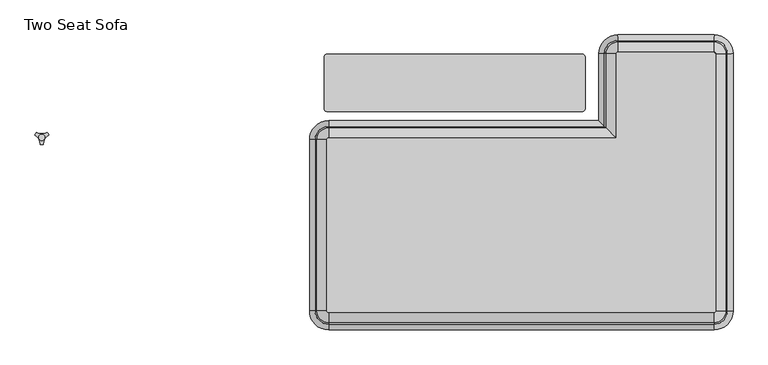
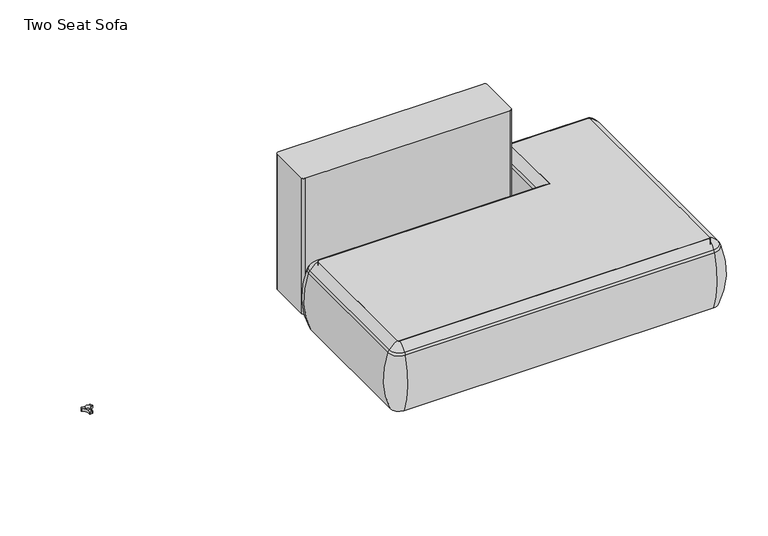
"""IFC4 building model written with IfcOpenShell, lengths in millimetres: furniture geometry, Two Seat Sofa."""

from ifc_helpers import new_model, si_unit, point, frame, frame_2d, origin, place, context, project, spatial, polyline, circle_curve, ellipse_curve, trimmed, segment, composite_curve, outline, extrude, source, transform, mapped, element, save
from ifc_brep_helpers import plane_surface, cylinder_surface, revolved_surface, advanced_brep


def two_seat_sofa_f498945d(model_context):
    return source(origin(), model_context, "Body", "SolidModel", [
        extrude(outline(composite_curve([segment(polyline([(-324.3386722, -55.2078555), (-324.3386722, 103.5149266)]), True, "CONTINUOUS"), segment(trimmed(circle_curve(frame_2d((-314.513597, 103.5149266)), 9.8250752), [point((-324.3386722, 103.5149266))], [point((-314.513597, 113.3400018))], False, "CARTESIAN"), True, "CONTINUOUS"), segment(polyline([(-314.513597, 113.3400018), (475.2130299, 113.3400018)]), True, "CONTINUOUS"), segment(trimmed(circle_curve(frame_2d((475.2130299, 103.5149266)), 9.8250752), [point((475.2130299, 113.3400018))], [point((485.0381051, 103.5149266))], False, "CARTESIAN"), True, "CONTINUOUS"), segment(polyline([(485.0381051, 103.5149266), (485.0381051, -55.2078555)]), True, "CONTINUOUS"), segment(trimmed(circle_curve(frame_2d((475.2130299, -55.2078555)), 9.8250752), [point((485.0381051, -55.2078555))], [point((475.2130299, -65.0329307))], False, "CARTESIAN"), True, "CONTINUOUS"), segment(polyline([(475.2130299, -65.0329307), (-314.513597, -65.0329307)]), True, "CONTINUOUS"), segment(trimmed(circle_curve(frame_2d((-314.513597, -55.2078555)), 9.8250752), [point((-314.513597, -65.0329307))], [point((-324.3386722, -55.2078555))], False, "CARTESIAN"), True, "CONTINUOUS")], self_intersect=False)), frame((0.0, 0.0, 123.9999984), z_axis=(0.0, 0.0, 1.0), x_axis=(1.0, 0.0, 0.0)), (0.0, 0.0, 1.0), 552.7599232),
        extrude(outline(composite_curve([segment(trimmed(circle_curve(frame_2d((-310.3913019, -152.5342577)), 5.2798073), [point((-315.6711091, -152.5342577))], [point((-310.3913019, -147.2544504))], False, "CARTESIAN"), True, "CONTINUOUS"), segment(polyline([(-310.3913019, -147.2544504), (581.5640471, -147.2544504), (581.5640471, 114.1657423)]), True, "CONTINUOUS"), segment(trimmed(circle_curve(frame_2d((586.8438544, 114.1657423)), 5.2798073), [point((581.5640471, 114.1657423))], [point((586.8438544, 119.4455496))], False, "CARTESIAN"), True, "CONTINUOUS"), segment(polyline([(586.8438544, 119.4455496), (885.0068604, 119.4455496)]), True, "CONTINUOUS"), segment(trimmed(circle_curve(frame_2d((885.0068604, 114.1657423)), 5.2798073), [point((885.0068604, 119.4455496))], [point((890.2866677, 114.1657423))], False, "CARTESIAN"), True, "CONTINUOUS"), segment(polyline([(890.2866677, 114.1657423), (890.2866677, -683.5606623)]), True, "CONTINUOUS"), segment(trimmed(circle_curve(frame_2d((885.0068604, -683.5606623)), 5.2798073), [point((890.2866677, -683.5606623))], [point((885.0068604, -688.8404695))], False, "CARTESIAN"), True, "CONTINUOUS"), segment(polyline([(885.0068604, -688.8404695), (-310.3913019, -688.8404695)]), True, "CONTINUOUS"), segment(trimmed(circle_curve(frame_2d((-310.3913019, -683.5606623)), 5.2798073), [point((-310.3913019, -688.8404695))], [point((-315.6711091, -683.5606623))], False, "CARTESIAN"), True, "CONTINUOUS"), segment(polyline([(-315.6711091, -683.5606623), (-315.6711091, -152.5342577)]), True, "CONTINUOUS")], self_intersect=False)), frame((0.0, 0.0, 123.9999984), z_axis=(0.0, 0.0, 1.0), x_axis=(1.0, 0.0, 0.0)), (0.0, 0.0, 1.0), 266.3914023),
        advanced_brep(
        [(-315.6711091, -683.5606623, 390.3914007), (-310.3913019, -688.8404695, 390.3914007), (-310.3913019, -688.8404695, 123.9999984), (-315.6711091, -683.5606623, 123.9999984), (-344.3591533, -683.5606623, 123.9999984), (-310.3913019, -717.5285137, 123.9999984), (-310.3913019, -725.2079787, 353.7769053), (-352.0386183, -683.5606623, 353.7769053), (-315.6711091, -152.5342577, 123.9999984), (-315.6711091, -152.5342577, 390.3914007), (-352.0386183, -152.5342577, 353.7769053), (-344.3591533, -152.5342577, 123.9999984), (-310.3913019, -147.2544504, 390.3914007), (-310.3913019, -147.2544504, 123.9999984), (-310.3913019, -118.5664062, 123.9999984), (-310.3913019, -110.8869412, 353.7769053), (581.5640471, -147.2544504, 123.9999984), (581.5640471, -147.2544504, 390.3914007), (545.1965379, -110.8869412, 353.7769053), (552.876003, -118.5664063, 123.9999984), (890.2866677, 114.1657423, 390.3914007), (885.0068604, 119.4455496, 390.3914007), (885.0068604, 119.4455496, 123.9999984), (890.2866677, 114.1657423, 123.9999984), (918.9747118, 114.1657423, 123.9999984), (885.0068604, 148.1335937, 123.9999984), (885.0068604, 155.8130588, 353.7769053), (926.6541769, 114.1657423, 353.7769053), (890.2866677, -683.5606623, 123.9999984), (890.2866677, -683.5606623, 390.3914007), (926.6541769, -683.5606623, 353.7769053), (918.9747118, -683.5606623, 123.9999984), (885.0068604, -688.8404695, 390.3914007), (885.0068604, -688.8404695, 123.9999984), (885.0068604, -717.5285137, 123.9999984), (885.0068604, -725.2079787, 353.7769053), (-346.8201584, -683.5606623, 363.6402875), (-310.3913019, -719.9895188, 363.6402875), (-346.8201584, -152.5342577, 363.6402875), (-310.3913019, -116.1054011, 363.6402875), (550.4149978, -116.1054011, 363.6402875), (921.435717, 114.1657423, 363.6402875), (885.0068604, 150.5945989, 363.6402875), (921.435717, -683.5606623, 363.6402875), (885.0068604, -719.9895188, 363.6402875), (581.5640471, 114.1657423, 123.9999984), (581.5640471, 114.1657423, 390.3914007), (550.4149978, 114.1657423, 363.6402875), (545.1965379, 114.1657423, 353.7769053), (552.876003, 114.1657423, 123.9999984), (586.8438544, 119.4455496, 390.3914007), (586.8438544, 119.4455496, 123.9999984), (586.8438544, 150.5945989, 363.6402875), (586.8438544, 155.8130588, 353.7769053), (586.8438544, 148.1335937, 123.9999984)],
        [
            (0, 1, circle_curve(frame((-310.3913019, -683.5606623, 390.3914007), z_axis=(0.0, 0.0, 1.0), x_axis=(0.0, -1.0, 0.0)), 5.2798073)),
            (1, 2),
            (2, 3, circle_curve(frame((-310.3913019, -683.5606623, 123.9999984), z_axis=(0.0, 0.0, -1.0), x_axis=(0.0, -1.0, 0.0)), 5.2798073)),
            (3, 0),
            (4, 5, circle_curve(frame((-310.3913019, -683.5606623, 123.9999984), z_axis=(0.0, 0.0, 1.0), x_axis=(0.0, -1.0, 0.0)), 33.9678514)),
            (5, 6, circle_curve(frame((-310.3913019, -421.1542297, 248.9220234), z_axis=(-1.0, 0.0, 0.0), x_axis=(0.0, -1.0, 0.0)), 321.625914)),
            (6, 7, circle_curve(frame((-310.3913019, -683.5606623, 353.7769053), z_axis=(0.0, 0.0, -1.0), x_axis=(0.0, -1.0, 0.0)), 41.6473165)),
            (7, 4, circle_curve(frame((-47.9848693, -683.5606623, 248.9220234), z_axis=(0.0, -1.0, 0.0), x_axis=(-1.0, 0.0, 0.0)), 321.625914)),
            (3, 8),
            (8, 9),
            (9, 0),
            (7, 10),
            (10, 11, circle_curve(frame((-47.9848693, -152.5342577, 248.9220234), z_axis=(0.0, -1.0, 0.0), x_axis=(-1.0, 0.0, 0.0)), 321.625914)),
            (11, 4),
            (12, 9, circle_curve(frame((-310.3913019, -152.5342577, 390.3914007), z_axis=(0.0, 0.0, 1.0), x_axis=(-1.0, 0.0, 0.0)), 5.2798073)),
            (8, 13, circle_curve(frame((-310.3913019, -152.5342577, 123.9999984), z_axis=(0.0, 0.0, -1.0), x_axis=(-1.0, 0.0, 0.0)), 5.2798073)),
            (13, 12),
            (14, 11, circle_curve(frame((-310.3913019, -152.5342577, 123.9999984), z_axis=(0.0, 0.0, 1.0), x_axis=(-1.0, 0.0, 0.0)), 33.9678514)),
            (10, 15, circle_curve(frame((-310.3913019, -152.5342577, 353.7769053), z_axis=(0.0, 0.0, -1.0), x_axis=(-1.0, 0.0, 0.0)), 41.6473165)),
            (15, 14, circle_curve(frame((-310.3913019, -414.9406902, 248.9220234), z_axis=(-1.0, 0.0, 0.0), x_axis=(0.0, 1.0, 0.0)), 321.625914)),
            (13, 16),
            (16, 17),
            (17, 12),
            (15, 18),
            (18, 19, ellipse_curve(frame((849.2502869, -414.9406902, 248.9220234), z_axis=(-0.707106781186553, -0.7071067811865419, 0.0), x_axis=(-0.707106781186542, 0.7071067811865529, 0.0)), 454.8477295, 321.625914)),
            (19, 14),
            (20, 21, circle_curve(frame((885.0068604, 114.1657423, 390.3914007), z_axis=(0.0, 0.0, 1.0), x_axis=(0.0, 1.0, 0.0)), 5.2798073)),
            (21, 22),
            (22, 23, circle_curve(frame((885.0068604, 114.1657423, 123.9999984), z_axis=(0.0, 0.0, -1.0), x_axis=(0.0, 1.0, 0.0)), 5.2798073)),
            (23, 20),
            (24, 25, circle_curve(frame((885.0068604, 114.1657423, 123.9999984), z_axis=(0.0, 0.0, 1.0), x_axis=(0.0, 1.0, 0.0)), 33.9678514)),
            (25, 26, circle_curve(frame((885.0068604, -148.2406902, 248.9220234), z_axis=(1.0, 0.0, 0.0), x_axis=(0.0, 1.0, 0.0)), 321.625914)),
            (26, 27, circle_curve(frame((885.0068604, 114.1657423, 353.7769053), z_axis=(0.0, 0.0, -1.0), x_axis=(0.0, 1.0, 0.0)), 41.6473165)),
            (27, 24, circle_curve(frame((622.6004279, 114.1657423, 248.9220234), z_axis=(0.0, 1.0, 0.0), x_axis=(1.0, 0.0, 0.0)), 321.625914)),
            (23, 28),
            (28, 29),
            (29, 20),
            (27, 30),
            (30, 31, circle_curve(frame((622.6004279, -683.5606623, 248.9220234), z_axis=(0.0, 1.0, 0.0), x_axis=(1.0, 0.0, 0.0)), 321.625914)),
            (31, 24),
            (32, 29, circle_curve(frame((885.0068604, -683.5606623, 390.3914007), z_axis=(0.0, 0.0, 1.0), x_axis=(1.0, 0.0, 0.0)), 5.2798073)),
            (28, 33, circle_curve(frame((885.0068604, -683.5606623, 123.9999984), z_axis=(0.0, 0.0, -1.0), x_axis=(1.0, 0.0, 0.0)), 5.2798073)),
            (33, 32),
            (34, 31, circle_curve(frame((885.0068604, -683.5606623, 123.9999984), z_axis=(0.0, 0.0, 1.0), x_axis=(1.0, 0.0, 0.0)), 33.9678514)),
            (30, 35, circle_curve(frame((885.0068604, -683.5606623, 353.7769053), z_axis=(0.0, 0.0, -1.0), x_axis=(1.0, 0.0, 0.0)), 41.6473165)),
            (35, 34, circle_curve(frame((885.0068604, -421.1542297, 248.9220234), z_axis=(1.0, 0.0, 0.0), x_axis=(0.0, -1.0, 0.0)), 321.625914)),
            (33, 2),
            (1, 32),
            (35, 6),
            (5, 34),
            (36, 37, circle_curve(frame((-310.3913019, -683.5606623, 363.6402875), z_axis=(0.0, 0.0, 1.0), x_axis=(0.0, -1.0, 0.0)), 36.4288566)),
            (37, 1, circle_curve(frame((-310.3913019, -644.60785, 307.3762868), z_axis=(-1.0, 0.0, 0.0), x_axis=(0.0, -1.0, 0.0)), 94.0639876)),
            (0, 36, circle_curve(frame((-271.4384896, -683.5606623, 307.3762868), z_axis=(0.0, -1.0, 0.0), x_axis=(-1.0, 0.0, 0.0)), 94.0639876)),
            (6, 37, circle_curve(frame((-310.3913019, -690.9432596, 341.9604975), z_axis=(-1.0, 0.0, 0.0), x_axis=(0.0, -1.0, 0.0)), 36.2449785)),
            (36, 7, circle_curve(frame((-317.7738992, -683.5606623, 341.9604975), z_axis=(0.0, -1.0, 0.0), x_axis=(-1.0, 0.0, 0.0)), 36.2449785)),
            (9, 38, circle_curve(frame((-271.4384896, -152.5342577, 307.3762868), z_axis=(0.0, -1.0, 0.0), x_axis=(-1.0, 0.0, 0.0)), 94.0639876)),
            (38, 36),
            (38, 10, circle_curve(frame((-317.7738992, -152.5342577, 341.9604975), z_axis=(0.0, -1.0, 0.0), x_axis=(-1.0, 0.0, 0.0)), 36.2449785)),
            (39, 38, circle_curve(frame((-310.3913019, -152.5342577, 363.6402875), z_axis=(0.0, 0.0, 1.0), x_axis=(-1.0, 0.0, 0.0)), 36.4288566)),
            (12, 39, circle_curve(frame((-310.3913019, -191.4870699, 307.3762868), z_axis=(-1.0, 0.0, 0.0), x_axis=(0.0, 1.0, 0.0)), 94.0639876)),
            (39, 15, circle_curve(frame((-310.3913019, -145.1516603, 341.9604975), z_axis=(-1.0, 0.0, 0.0), x_axis=(0.0, 1.0, 0.0)), 36.2449785)),
            (17, 40, ellipse_curve(frame((625.7966666, -191.4870699, 307.3762868), z_axis=(-0.707106781186553, -0.7071067811865419, 0.0), x_axis=(-0.707106781186542, 0.7071067811865529, 0.0)), 133.026567, 94.0639876)),
            (40, 39),
            (40, 18, ellipse_curve(frame((579.461257, -145.1516603, 341.9604975), z_axis=(-0.707106781186553, -0.7071067811865419, 0.0), x_axis=(-0.707106781186542, 0.7071067811865529, 0.0)), 51.2581402, 36.2449785)),
            (41, 42, circle_curve(frame((885.0068604, 114.1657423, 363.6402875), z_axis=(0.0, 0.0, 1.0), x_axis=(0.0, 1.0, 0.0)), 36.4288566)),
            (42, 21, circle_curve(frame((885.0068604, 75.2129301, 307.3762868), z_axis=(1.0, 0.0, 0.0), x_axis=(0.0, 1.0, 0.0)), 94.0639876)),
            (20, 41, circle_curve(frame((846.0540482, 114.1657423, 307.3762868), z_axis=(0.0, 1.0, 0.0), x_axis=(1.0, 0.0, 0.0)), 94.0639876)),
            (26, 42, circle_curve(frame((885.0068604, 121.5483397, 341.9604975), z_axis=(1.0, 0.0, 0.0), x_axis=(0.0, 1.0, 0.0)), 36.2449785)),
            (41, 27, circle_curve(frame((892.3894578, 114.1657423, 341.9604975), z_axis=(0.0, 1.0, 0.0), x_axis=(1.0, 0.0, 0.0)), 36.2449785)),
            (29, 43, circle_curve(frame((846.0540482, -683.5606623, 307.3762868), z_axis=(0.0, 1.0, 0.0), x_axis=(1.0, 0.0, 0.0)), 94.0639876)),
            (43, 41),
            (43, 30, circle_curve(frame((892.3894578, -683.5606623, 341.9604975), z_axis=(0.0, 1.0, 0.0), x_axis=(1.0, 0.0, 0.0)), 36.2449785)),
            (44, 43, circle_curve(frame((885.0068604, -683.5606623, 363.6402875), z_axis=(0.0, 0.0, 1.0), x_axis=(1.0, 0.0, 0.0)), 36.4288566)),
            (32, 44, circle_curve(frame((885.0068604, -644.60785, 307.3762868), z_axis=(1.0, 0.0, 0.0), x_axis=(0.0, -1.0, 0.0)), 94.0639876)),
            (44, 35, circle_curve(frame((885.0068604, -690.9432596, 341.9604975), z_axis=(1.0, 0.0, 0.0), x_axis=(0.0, -1.0, 0.0)), 36.2449785)),
            (37, 44),
            (16, 45),
            (45, 46),
            (46, 17),
            (46, 47, circle_curve(frame((625.7966666, 114.1657423, 307.3762868), z_axis=(0.0, -1.0, 0.0), x_axis=(-1.0, 0.0, 0.0)), 94.0639876)),
            (47, 40),
            (47, 48, circle_curve(frame((579.461257, 114.1657423, 341.9604975), z_axis=(0.0, -1.0, 0.0), x_axis=(-1.0, 0.0, 0.0)), 36.2449785)),
            (48, 18),
            (48, 49, circle_curve(frame((849.2502869, 114.1657423, 248.9220234), z_axis=(0.0, -1.0, 0.0), x_axis=(-1.0, 0.0, 0.0)), 321.625914)),
            (49, 19),
            (50, 46, circle_curve(frame((586.8438544, 114.1657423, 390.3914007), z_axis=(0.0, 0.0, 1.0), x_axis=(-1.0, 0.0, 0.0)), 5.2798073)),
            (45, 51, circle_curve(frame((586.8438544, 114.1657423, 123.9999984), z_axis=(0.0, 0.0, -1.0), x_axis=(-1.0, 0.0, 0.0)), 5.2798073)),
            (51, 50),
            (52, 47, circle_curve(frame((586.8438544, 114.1657423, 363.6402875), z_axis=(0.0, 0.0, 1.0), x_axis=(-1.0, 0.0, 0.0)), 36.4288566)),
            (50, 52, circle_curve(frame((586.8438544, 75.2129301, 307.3762868), z_axis=(-1.0, 0.0, 0.0), x_axis=(0.0, 1.0, 0.0)), 94.0639876)),
            (53, 48, circle_curve(frame((586.8438544, 114.1657423, 353.7769053), z_axis=(0.0, 0.0, 1.0), x_axis=(-1.0, 0.0, 0.0)), 41.6473165)),
            (52, 53, circle_curve(frame((586.8438544, 121.5483397, 341.9604975), z_axis=(-1.0, 0.0, 0.0), x_axis=(0.0, 1.0, 0.0)), 36.2449785)),
            (54, 49, circle_curve(frame((586.8438544, 114.1657423, 123.9999984), z_axis=(0.0, 0.0, 1.0), x_axis=(-1.0, 0.0, 0.0)), 33.9678514)),
            (53, 54, circle_curve(frame((586.8438544, -148.2406902, 248.9220234), z_axis=(-1.0, 0.0, 0.0), x_axis=(0.0, 1.0, 0.0)), 321.625914)),
            (54, 25),
            (22, 51),
            (21, 50),
            (42, 52),
            (26, 53),
        ],
        [
            revolved_surface(polyline([(-310.3913019, -688.8404696, 123.9999984), (-310.3913019, -688.8404696, 390.3914007)]), (-310.3913019, -683.5606623, 0.0), (0.0, 0.0, -1.0)),
            revolved_surface(trimmed(ellipse_curve(frame((-310.3913019, -421.1542297, 248.9220234), z_axis=(1.0, 0.0, 0.0), x_axis=(0.0, -1.0, 0.0)), 321.625914, 321.625914), [point((-310.3913019, -725.2079787, 353.7769053))], [point((-310.3913019, -717.5285137, 123.9999984))], True, "CARTESIAN"), (-310.3913019, -683.5606623, 0.0), (0.0, 0.0, -1.0)),
            plane_surface(frame((-315.6711091, -683.5606623, 123.9999984), z_axis=(1.0, 0.0, 0.0), x_axis=(0.0, 1.0, 0.0))),
            cylinder_surface(frame((-47.9848693, -683.5606623, 248.9220234), z_axis=(0.0, -1.0, 0.0), x_axis=(-1.0, 0.0, 0.0)), 321.625914),
            revolved_surface(polyline([(-315.6711092, -152.5342577, 123.9999984), (-315.6711092, -152.5342577, 390.3914007)]), (-310.3913019, -152.5342577, 0.0), (0.0, 0.0, -1.0)),
            revolved_surface(trimmed(ellipse_curve(frame((-47.9848693, -152.5342577, 248.9220234), z_axis=(0.0, -1.0, 0.0), x_axis=(-1.0, 0.0, 0.0)), 321.625914, 321.625914), [point((-352.0386183, -152.5342577, 353.7769053))], [point((-344.3591533, -152.5342577, 123.9999984))], True, "CARTESIAN"), (-310.3913019, -152.5342577, 0.0), (0.0, 0.0, -1.0)),
            plane_surface(frame((-310.3913019, -147.2544504, 123.9999984), z_axis=(0.0, -1.0, 0.0), x_axis=(1.0, 0.0, 0.0))),
            cylinder_surface(frame((-310.3913019, -414.9406902, 248.9220234), z_axis=(-1.0, 0.0, 0.0), x_axis=(0.0, 1.0, 0.0)), 321.625914),
            revolved_surface(polyline([(885.0068604, 119.4455496, 123.9999984), (885.0068604, 119.4455496, 390.3914007)]), (885.0068604, 114.1657423, 0.0), (0.0, 0.0, -1.0)),
            revolved_surface(trimmed(ellipse_curve(frame((885.0068604, -148.2406902, 248.9220234), z_axis=(-1.0, 0.0, 0.0), x_axis=(0.0, 1.0, 0.0)), 321.625914, 321.625914), [point((885.0068604, 155.8130588, 353.7769053))], [point((885.0068604, 148.1335937, 123.9999984))], True, "CARTESIAN"), (885.0068604, 114.1657423, 0.0), (0.0, 0.0, -1.0)),
            plane_surface(frame((890.2866677, 114.1657423, 123.9999984), z_axis=(-1.0, 0.0, 0.0), x_axis=(0.0, -1.0, 0.0))),
            cylinder_surface(frame((622.6004279, 114.1657423, 248.9220234), z_axis=(0.0, 1.0, 0.0), x_axis=(1.0, 0.0, 0.0)), 321.625914),
            revolved_surface(polyline([(890.2866677000001, -683.5606623, 123.9999984), (890.2866677000001, -683.5606623, 390.3914007)]), (885.0068604, -683.5606623, 0.0), (0.0, 0.0, -1.0)),
            revolved_surface(trimmed(ellipse_curve(frame((622.6004279, -683.5606623, 248.9220234), z_axis=(0.0, 1.0, 0.0), x_axis=(1.0, 0.0, 0.0)), 321.625914, 321.625914), [point((926.6541769, -683.5606623, 353.7769053))], [point((918.9747118, -683.5606623, 123.9999984))], True, "CARTESIAN"), (885.0068604, -683.5606623, 0.0), (0.0, 0.0, -1.0)),
            plane_surface(frame((885.0068604, -688.8404695, 123.9999984), z_axis=(0.0, 1.0, 0.0), x_axis=(-1.0, 0.0, 0.0))),
            cylinder_surface(frame((885.0068604, -421.1542297, 248.9220234), z_axis=(1.0, 0.0, 0.0), x_axis=(0.0, -1.0, 0.0)), 321.625914),
            revolved_surface(trimmed(ellipse_curve(frame((-310.3913019, -644.60785, 307.3762868), z_axis=(1.0, 0.0, 0.0), x_axis=(0.0, -1.0, 0.0)), 94.0639876, 94.0639876), [point((-310.3913019, -688.8404695, 390.3914007))], [point((-310.3913019, -719.9895188, 363.6402875))], True, "CARTESIAN"), (-310.3913019, -683.5606623, 0.0), (0.0, 0.0, -1.0)),
            revolved_surface(trimmed(ellipse_curve(frame((-310.3913019, -690.9432596, 341.9604975), z_axis=(1.0, 0.0, 0.0), x_axis=(0.0, -1.0, 0.0)), 36.2449785, 36.2449785), [point((-310.3913019, -719.9895188, 363.6402875))], [point((-310.3913019, -725.2079787, 353.7769053))], True, "CARTESIAN"), (-310.3913019, -683.5606623, 0.0), (0.0, 0.0, -1.0)),
            cylinder_surface(frame((-271.4384896, -683.5606623, 307.3762868), z_axis=(0.0, -1.0, 0.0), x_axis=(-1.0, 0.0, 0.0)), 94.0639876),
            cylinder_surface(frame((-317.7738992, -683.5606623, 341.9604975), z_axis=(0.0, -1.0, 0.0), x_axis=(-1.0, 0.0, 0.0)), 36.2449785),
            revolved_surface(trimmed(ellipse_curve(frame((-271.4384896, -152.5342577, 307.3762868), z_axis=(0.0, -1.0, 0.0), x_axis=(-1.0, 0.0, 0.0)), 94.0639876, 94.0639876), [point((-315.6711091, -152.5342577, 390.3914007))], [point((-346.8201584, -152.5342577, 363.6402875))], True, "CARTESIAN"), (-310.3913019, -152.5342577, 0.0), (0.0, 0.0, -1.0)),
            revolved_surface(trimmed(ellipse_curve(frame((-317.7738992, -152.5342577, 341.9604975), z_axis=(0.0, -1.0, 0.0), x_axis=(-1.0, 0.0, 0.0)), 36.2449785, 36.2449785), [point((-346.8201584, -152.5342577, 363.6402875))], [point((-352.0386183, -152.5342577, 353.7769053))], True, "CARTESIAN"), (-310.3913019, -152.5342577, 0.0), (0.0, 0.0, -1.0)),
            cylinder_surface(frame((-310.3913019, -191.4870699, 307.3762868), z_axis=(-1.0, 0.0, 0.0), x_axis=(0.0, 1.0, 0.0)), 94.0639876),
            cylinder_surface(frame((-310.3913019, -145.1516603, 341.9604975), z_axis=(-1.0, 0.0, 0.0), x_axis=(0.0, 1.0, 0.0)), 36.2449785),
            revolved_surface(trimmed(ellipse_curve(frame((885.0068604, 75.2129301, 307.3762868), z_axis=(-1.0, 0.0, 0.0), x_axis=(0.0, 1.0, 0.0)), 94.0639876, 94.0639876), [point((885.0068604, 119.4455496, 390.3914007))], [point((885.0068604, 150.5945989, 363.6402875))], True, "CARTESIAN"), (885.0068604, 114.1657423, 0.0), (0.0, 0.0, -1.0)),
            revolved_surface(trimmed(ellipse_curve(frame((885.0068604, 121.5483397, 341.9604975), z_axis=(-1.0, 0.0, 0.0), x_axis=(0.0, 1.0, 0.0)), 36.2449785, 36.2449785), [point((885.0068604, 150.5945989, 363.6402875))], [point((885.0068604, 155.8130588, 353.7769053))], True, "CARTESIAN"), (885.0068604, 114.1657423, 0.0), (0.0, 0.0, -1.0)),
            cylinder_surface(frame((846.0540482, 114.1657423, 307.3762868), z_axis=(0.0, 1.0, 0.0), x_axis=(1.0, 0.0, 0.0)), 94.0639876),
            cylinder_surface(frame((892.3894578, 114.1657423, 341.9604975), z_axis=(0.0, 1.0, 0.0), x_axis=(1.0, 0.0, 0.0)), 36.2449785),
            revolved_surface(trimmed(ellipse_curve(frame((846.0540482, -683.5606623, 307.3762868), z_axis=(0.0, 1.0, 0.0), x_axis=(1.0, 0.0, 0.0)), 94.0639876, 94.0639876), [point((890.2866677, -683.5606623, 390.3914007))], [point((921.435717, -683.5606623, 363.6402875))], True, "CARTESIAN"), (885.0068604, -683.5606623, 0.0), (0.0, 0.0, -1.0)),
            revolved_surface(trimmed(ellipse_curve(frame((892.3894578, -683.5606623, 341.9604975), z_axis=(0.0, 1.0, 0.0), x_axis=(1.0, 0.0, 0.0)), 36.2449785, 36.2449785), [point((921.435717, -683.5606623, 363.6402875))], [point((926.6541769, -683.5606623, 353.7769053))], True, "CARTESIAN"), (885.0068604, -683.5606623, 0.0), (0.0, 0.0, -1.0)),
            cylinder_surface(frame((885.0068604, -644.60785, 307.3762868), z_axis=(1.0, 0.0, 0.0), x_axis=(0.0, -1.0, 0.0)), 94.0639876),
            cylinder_surface(frame((885.0068604, -690.9432596, 341.9604975), z_axis=(1.0, 0.0, 0.0), x_axis=(0.0, -1.0, 0.0)), 36.2449785),
            plane_surface(frame((581.5640471, -147.2544504, 123.9999984), z_axis=(1.0, 0.0, 0.0), x_axis=(0.0, 1.0, 0.0))),
            cylinder_surface(frame((625.7966666, -108.0842577, 307.3762868), z_axis=(0.0, -1.0, 0.0), x_axis=(-1.0, 0.0, 0.0)), 94.0639876),
            cylinder_surface(frame((579.461257, -108.0842577, 341.9604975), z_axis=(0.0, -1.0, 0.0), x_axis=(-1.0, 0.0, 0.0)), 36.2449785),
            cylinder_surface(frame((849.2502869, -108.0842577, 248.9220234), z_axis=(0.0, -1.0, 0.0), x_axis=(-1.0, 0.0, 0.0)), 321.625914),
            revolved_surface(polyline([(581.5640471, 114.1657423, 123.9999984), (581.5640471, 114.1657423, 390.3914007)]), (586.8438544, 114.1657423, 0.0), (0.0, 0.0, -1.0)),
            revolved_surface(trimmed(ellipse_curve(frame((625.7966666, 114.1657423, 307.3762868), z_axis=(0.0, -1.0, 0.0), x_axis=(-1.0, 0.0, 0.0)), 94.0639876, 94.0639876), [point((581.5640471, 114.1657423, 390.3914007))], [point((550.4149978, 114.1657423, 363.6402875))], True, "CARTESIAN"), (586.8438544, 114.1657423, 0.0), (0.0, 0.0, -1.0)),
            revolved_surface(trimmed(ellipse_curve(frame((579.461257, 114.1657423, 341.9604975), z_axis=(0.0, -1.0, 0.0), x_axis=(-1.0, 0.0, 0.0)), 36.2449785, 36.2449785), [point((550.4149978, 114.1657423, 363.6402875))], [point((545.1965379, 114.1657423, 353.7769053))], True, "CARTESIAN"), (586.8438544, 114.1657423, 0.0), (0.0, 0.0, -1.0)),
            revolved_surface(trimmed(ellipse_curve(frame((849.2502869, 114.1657423, 248.9220234), z_axis=(0.0, -1.0, 0.0), x_axis=(-1.0, 0.0, 0.0)), 321.625914, 321.625914), [point((545.1965379, 114.1657423, 353.7769053))], [point((552.876003, 114.1657423, 123.9999984))], True, "CARTESIAN"), (586.8438544, 114.1657423, 0.0), (0.0, 0.0, -1.0)),
            plane_surface(frame((586.8438544, 148.1335937, 123.9999984), z_axis=(0.0, 0.0, -1.0), x_axis=(1.0, 0.0, 0.0))),
            plane_surface(frame((586.8438544, 119.4455496, 123.9999984), z_axis=(0.0, -1.0, 0.0), x_axis=(1.0, 0.0, 0.0))),
            cylinder_surface(frame((586.8438544, 75.2129301, 307.3762868), z_axis=(-1.0, 0.0, 0.0), x_axis=(0.0, 1.0, 0.0)), 94.0639876),
            cylinder_surface(frame((586.8438544, 121.5483397, 341.9604975), z_axis=(-1.0, 0.0, 0.0), x_axis=(0.0, 1.0, 0.0)), 36.2449785),
            cylinder_surface(frame((586.8438544, -148.2406902, 248.9220234), z_axis=(-1.0, 0.0, 0.0), x_axis=(0.0, 1.0, 0.0)), 321.625914),
        ],
        [
            (0, [[1, 2, 3, 4]]),
            (1, [[5, 6, 7, 8]]),
            (2, [[-4, 9, 10, 11]]),
            (3, [[-8, 12, 13, 14]]),
            (4, [[15, -10, 16, 17]]),
            (5, [[18, -13, 19, 20]]),
            (6, [[-17, 21, 22, 23]]),
            (7, [[-20, 24, 25, 26]]),
            (8, [[27, 28, 29, 30]]),
            (9, [[31, 32, 33, 34]]),
            (10, [[-30, 35, 36, 37]]),
            (11, [[-34, 38, 39, 40]]),
            (12, [[41, -36, 42, 43]]),
            (13, [[44, -39, 45, 46]]),
            (14, [[-43, 47, -2, 48]]),
            (15, [[-46, 49, -6, 50]]),
            (16, [[51, 52, -1, 53]]),
            (17, [[-7, 54, -51, 55]]),
            (18, [[-53, -11, 56, 57]]),
            (19, [[-55, -57, 58, -12]]),
            (20, [[59, -56, -15, 60]]),
            (21, [[-19, -58, -59, 61]]),
            (22, [[-60, -23, 62, 63]]),
            (23, [[-61, -63, 64, -24]]),
            (24, [[65, 66, -27, 67]]),
            (25, [[-33, 68, -65, 69]]),
            (26, [[-67, -37, 70, 71]]),
            (27, [[-69, -71, 72, -38]]),
            (28, [[73, -70, -41, 74]]),
            (29, [[-45, -72, -73, 75]]),
            (30, [[-74, -48, -52, 76]]),
            (31, [[-75, -76, -54, -49]]),
            (32, [[-22, 77, 78, 79]]),
            (33, [[-62, -79, 80, 81]]),
            (34, [[-64, -81, 82, 83]]),
            (35, [[-25, -83, 84, 85]]),
            (36, [[86, -78, 87, 88]]),
            (37, [[89, -80, -86, 90]]),
            (38, [[91, -82, -89, 92]]),
            (39, [[93, -84, -91, 94]]),
            (40, [[-85, -93, 95, -31, -40, -44, -50, -5, -14, -18, -26], [96, -87, -77, -21, -16, -9, -3, -47, -42, -35, -29]]),
            (41, [[-88, -96, -28, 97]]),
            (42, [[-90, -97, -66, 98]]),
            (43, [[-92, -98, -68, 99]]),
            (44, [[-94, -99, -32, -95]]),
        ],
    ),
        advanced_brep(
        [(-1216.6567178, -130.2721038, 98.611642), (-1220.879306, -137.585841, 98.611642), (-1220.4813572, -138.7518724, 98.611642), (-1204.6620864, -166.1516574, 98.611642), (-1203.8512529, -167.0792988, 98.611642), (-1195.4060744, -167.0792988, 98.611642), (-1194.6015461, -165.9895174, 98.611642), (-1178.4992931, -138.4877144, 98.611642), (-1178.378016, -137.5858427, 98.611642), (-1182.600606, -130.2721023, 98.611642), (-1183.8093894, -130.0337175, 98.611642), (-1215.4479379, -130.0337175, 98.611642), (-1190.2557871, -145.1926245, 98.611642), (-1209.160799, -145.1926245, 98.611642), (-1216.6567178, -130.2721038, 88.6531552), (-1215.4479379, -130.0337175, 88.6531552), (-1183.8093894, -130.0337175, 88.6531552), (-1182.600606, -130.2721023, 88.6531552), (-1178.378016, -137.5858427, 88.6531552), (-1178.4992931, -138.4877144, 88.6531552), (-1194.6015461, -165.9895174, 88.6531552), (-1195.4060744, -167.0792988, 88.6531552), (-1203.8512529, -167.0792988, 88.6531552), (-1204.6620864, -166.1516574, 88.6531552), (-1220.4813572, -138.7518724, 88.6531552), (-1220.879306, -137.585841, 88.6531552), (-1209.160799, -145.1926245, 103.6569541), (-1190.2557871, -145.1926245, 103.6569541)],
        [
            (0, 1, circle_curve(frame((-1198.3972298, -145.690049, 98.611642), z_axis=(0.0, 0.0, 1.0), x_axis=(1.0, 0.0, 0.0)), 23.8981576)),
            (1, 2, circle_curve(frame((-1219.9517474, -137.920202, 98.611642), z_axis=(0.0, 0.0, 1.0), x_axis=(1.0, 0.0, 0.0)), 0.9859828)),
            (2, 3, circle_curve(frame((-1238.8767271, -167.6389644, 98.611642), z_axis=(0.0, 0.0, -1.0), x_axis=(1.0, 0.0, 0.0)), 34.246952)),
            (3, 4, circle_curve(frame((-1203.6770431, -166.1088376, 98.611642), z_axis=(0.0, 0.0, 1.0), x_axis=(1.0, 0.0, 0.0)), 0.9859736)),
            (4, 5, circle_curve(frame((-1199.6286636, -143.5567534, 98.611642), z_axis=(0.0, 0.0, 1.0), x_axis=(1.0, 0.0, 0.0)), 23.8985439)),
            (5, 6, circle_curve(frame((-1195.5802862, -166.1088262, 98.611642), z_axis=(0.0, 0.0, 1.0), x_axis=(1.0, 0.0, 0.0)), 0.9859852)),
            (6, 7, circle_curve(frame((-1160.3798725, -167.5614211, 98.611642), z_axis=(0.0, 0.0, -1.0), x_axis=(1.0, 0.0, 0.0)), 34.2577557)),
            (7, 8, circle_curve(frame((-1179.3055775, -137.9202011, 98.611642), z_axis=(0.0, 0.0, 1.0), x_axis=(1.0, 0.0, 0.0)), 0.9859847)),
            (8, 9, circle_curve(frame((-1200.8597064, -145.6898258, 98.611642), z_axis=(0.0, 0.0, 1.0), x_axis=(1.0, 0.0, 0.0)), 23.8977184)),
            (9, 10, circle_curve(frame((-1183.3539522, -130.9082171, 98.611642), z_axis=(0.0, 0.0, 1.0), x_axis=(1.0, 0.0, 0.0)), 0.9859881)),
            (10, 11, circle_curve(frame((-1199.6286636, -99.6586209, 98.611642), z_axis=(0.0, 0.0, -1.0), x_axis=(1.0, 0.0, 0.0)), 34.2475683)),
            (11, 0, circle_curve(frame((-1215.9033729, -130.9082131, 98.611642), z_axis=(0.0, 0.0, 1.0), x_axis=(1.0, 0.0, 0.0)), 0.9859835)),
            (12, 13, circle_curve(frame((-1199.7082931, -145.1926245, 98.611642), z_axis=(0.0, 0.0, -1.0), x_axis=(1.0, 0.0, 0.0)), 9.452506)),
            (13, 12, circle_curve(frame((-1199.7082931, -145.1926245, 98.611642), z_axis=(0.0, 0.0, -1.0), x_axis=(1.0, 0.0, 0.0)), 9.452506)),
            (14, 15, circle_curve(frame((-1215.9033729, -130.9082131, 88.6531552), z_axis=(0.0, 0.0, -1.0), x_axis=(1.0, 0.0, 0.0)), 0.9859835)),
            (15, 16, circle_curve(frame((-1199.6286636, -99.6586209, 88.6531552), z_axis=(0.0, 0.0, 1.0), x_axis=(1.0, 0.0, 0.0)), 34.2475683)),
            (16, 17, circle_curve(frame((-1183.3539522, -130.9082171, 88.6531552), z_axis=(0.0, 0.0, -1.0), x_axis=(1.0, 0.0, 0.0)), 0.9859881)),
            (17, 18, circle_curve(frame((-1200.8597064, -145.6898258, 88.6531552), z_axis=(0.0, 0.0, -1.0), x_axis=(1.0, 0.0, 0.0)), 23.8977184)),
            (18, 19, circle_curve(frame((-1179.3055775, -137.9202011, 88.6531552), z_axis=(0.0, 0.0, -1.0), x_axis=(1.0, 0.0, 0.0)), 0.9859847)),
            (19, 20, circle_curve(frame((-1160.3798725, -167.5614211, 88.6531552), z_axis=(0.0, 0.0, 1.0), x_axis=(1.0, 0.0, 0.0)), 34.2577557)),
            (20, 21, circle_curve(frame((-1195.5802862, -166.1088262, 88.6531552), z_axis=(0.0, 0.0, -1.0), x_axis=(1.0, 0.0, 0.0)), 0.9859852)),
            (21, 22, circle_curve(frame((-1199.6286636, -143.5567534, 88.6531552), z_axis=(0.0, 0.0, -1.0), x_axis=(1.0, 0.0, 0.0)), 23.8985439)),
            (22, 23, circle_curve(frame((-1203.6770431, -166.1088376, 88.6531552), z_axis=(0.0, 0.0, -1.0), x_axis=(1.0, 0.0, 0.0)), 0.9859736)),
            (23, 24, circle_curve(frame((-1238.8767271, -167.6389644, 88.6531552), z_axis=(0.0, 0.0, 1.0), x_axis=(1.0, 0.0, 0.0)), 34.246952)),
            (24, 25, circle_curve(frame((-1219.9517474, -137.920202, 88.6531552), z_axis=(0.0, 0.0, -1.0), x_axis=(1.0, 0.0, 0.0)), 0.9859828)),
            (25, 14, circle_curve(frame((-1198.3972298, -145.690049, 88.6531552), z_axis=(0.0, 0.0, -1.0), x_axis=(1.0, 0.0, 0.0)), 23.8981576)),
            (26, 27, circle_curve(frame((-1199.7082931, -145.1926245, 103.6569541), z_axis=(0.0, 0.0, 1.0), x_axis=(1.0, 0.0, 0.0)), 9.452506)),
            (27, 26, circle_curve(frame((-1199.7082931, -145.1926245, 103.6569541), z_axis=(0.0, 0.0, 1.0), x_axis=(1.0, 0.0, 0.0)), 9.452506)),
            (0, 14),
            (25, 1),
            (24, 2),
            (23, 3),
            (22, 4),
            (21, 5),
            (20, 6),
            (19, 7),
            (18, 8),
            (17, 9),
            (16, 10),
            (15, 11),
            (26, 13),
            (12, 27),
        ],
        [
            plane_surface(frame((-1174.4990722, -145.690049, 98.611642), z_axis=(0.0, 0.0, 1.0), x_axis=(0.0, 1.0, 0.0))),
            plane_surface(frame((-1174.4990722, -145.690049, 88.6531552), z_axis=(0.0, 0.0, -1.0), x_axis=(0.0, -1.0, 0.0))),
            plane_surface(frame((-1190.2557871, -145.1926245, 103.6569541), z_axis=(0.0, 0.0, 1.0), x_axis=(0.0, 1.0, 0.0))),
            cylinder_surface(frame((-1198.3972298, -145.690049, 88.6531552), z_axis=(0.0, 0.0, 1.0), x_axis=(1.0, 0.0, 0.0)), 23.8981576),
            cylinder_surface(frame((-1219.9517474, -137.920202, 88.6531552), z_axis=(0.0, 0.0, 1.0), x_axis=(1.0, 0.0, 0.0)), 0.9859828),
            revolved_surface(polyline([(-1204.6297751, -167.6389644, 88.6531552), (-1204.6297751, -167.6389644, 98.611642)]), (-1238.8767271, -167.6389644, 88.6531552), (0.0, 0.0, -1.0)),
            cylinder_surface(frame((-1203.6770431, -166.1088376, 88.6531552), z_axis=(0.0, 0.0, 1.0), x_axis=(1.0, 0.0, 0.0)), 0.9859736),
            cylinder_surface(frame((-1199.6286636, -143.5567534, 88.6531552), z_axis=(0.0, 0.0, 1.0), x_axis=(1.0, 0.0, 0.0)), 23.8985439),
            cylinder_surface(frame((-1195.5802862, -166.1088262, 88.6531552), z_axis=(0.0, 0.0, 1.0), x_axis=(1.0, 0.0, 0.0)), 0.9859852),
            revolved_surface(polyline([(-1126.1221168, -167.5614211, 88.6531552), (-1126.1221168, -167.5614211, 98.611642)]), (-1160.3798725, -167.5614211, 88.6531552), (0.0, 0.0, -1.0)),
            cylinder_surface(frame((-1179.3055775, -137.9202011, 88.6531552), z_axis=(0.0, 0.0, 1.0), x_axis=(1.0, 0.0, 0.0)), 0.9859847),
            cylinder_surface(frame((-1200.8597064, -145.6898258, 88.6531552), z_axis=(0.0, 0.0, 1.0), x_axis=(1.0, 0.0, 0.0)), 23.8977184),
            cylinder_surface(frame((-1183.3539522, -130.9082171, 88.6531552), z_axis=(0.0, 0.0, 1.0), x_axis=(1.0, 0.0, 0.0)), 0.9859881),
            revolved_surface(polyline([(-1165.3810953, -99.6586209, 88.6531552), (-1165.3810953, -99.6586209, 98.611642)]), (-1199.6286636, -99.6586209, 88.6531552), (0.0, 0.0, -1.0)),
            cylinder_surface(frame((-1215.9033729, -130.9082131, 88.6531552), z_axis=(0.0, 0.0, 1.0), x_axis=(1.0, 0.0, 0.0)), 0.9859835),
            cylinder_surface(frame((-1199.7082931, -145.1926245, 98.611642), z_axis=(0.0, 0.0, 1.0), x_axis=(1.0, 0.0, 0.0)), 9.452506),
        ],
        [
            (0, [[1, 2, 3, 4, 5, 6, 7, 8, 9, 10, 11, 12], [13, 14]]),
            (1, [[15, 16, 17, 18, 19, 20, 21, 22, 23, 24, 25, 26]]),
            (2, [[27, 28]]),
            (3, [[-1, 29, -26, 30]]),
            (4, [[-2, -30, -25, 31]]),
            (5, [[-3, -31, -24, 32]]),
            (6, [[-4, -32, -23, 33]]),
            (7, [[-5, -33, -22, 34]]),
            (8, [[-6, -34, -21, 35]]),
            (9, [[-7, -35, -20, 36]]),
            (10, [[-8, -36, -19, 37]]),
            (11, [[-9, -37, -18, 38]]),
            (12, [[-10, -38, -17, 39]]),
            (13, [[-11, -39, -16, 40]]),
            (14, [[-12, -40, -15, -29]]),
            (15, [[-27, 41, -13, 42]]),
            (15, [[-28, -42, -14, -41]]),
        ],
    ),
        advanced_brep(
        [(883.5433829, -130.2721038, 98.611642), (879.3207947, -137.585841, 98.611642), (879.7187435, -138.7518724, 98.611642), (895.5380143, -166.1516574, 98.611642), (896.3488478, -167.0792988, 98.611642), (904.7940264, -167.0792988, 98.611642), (905.5985546, -165.9895174, 98.611642), (921.7008076, -138.4877144, 98.611642), (921.8220847, -137.5858427, 98.611642), (917.5994947, -130.2721023, 98.611642), (916.3907113, -130.0337175, 98.611642), (884.7521628, -130.0337175, 98.611642), (909.9443136, -145.1926245, 98.611642), (891.0393017, -145.1926245, 98.611642), (883.5433829, -130.2721038, 88.6531552), (884.7521628, -130.0337175, 88.6531552), (916.3907113, -130.0337175, 88.6531552), (917.5994947, -130.2721023, 88.6531552), (921.8220847, -137.5858427, 88.6531552), (921.7008076, -138.4877144, 88.6531552), (905.5985546, -165.9895174, 88.6531552), (904.7940264, -167.0792988, 88.6531552), (896.3488478, -167.0792988, 88.6531552), (895.5380143, -166.1516574, 88.6531552), (879.7187435, -138.7518724, 88.6531552), (879.3207947, -137.585841, 88.6531552), (891.0393017, -145.1926245, 103.6569541), (909.9443136, -145.1926245, 103.6569541)],
        [
            (0, 1, circle_curve(frame((901.8028709, -145.690049, 98.611642), z_axis=(0.0, 0.0, 1.0), x_axis=(1.0, 0.0, 0.0)), 23.8981576)),
            (1, 2, circle_curve(frame((880.2483533, -137.920202, 98.611642), z_axis=(0.0, 0.0, 1.0), x_axis=(1.0, 0.0, 0.0)), 0.9859828)),
            (2, 3, circle_curve(frame((861.3233736, -167.6389644, 98.611642), z_axis=(0.0, 0.0, -1.0), x_axis=(1.0, 0.0, 0.0)), 34.246952)),
            (3, 4, circle_curve(frame((896.5230576, -166.1088376, 98.611642), z_axis=(0.0, 0.0, 1.0), x_axis=(1.0, 0.0, 0.0)), 0.9859736)),
            (4, 5, circle_curve(frame((900.5714371, -143.5567534, 98.611642), z_axis=(0.0, 0.0, 1.0), x_axis=(1.0, 0.0, 0.0)), 23.8985439)),
            (5, 6, circle_curve(frame((904.6198145, -166.1088262, 98.611642), z_axis=(0.0, 0.0, 1.0), x_axis=(1.0, 0.0, 0.0)), 0.9859852)),
            (6, 7, circle_curve(frame((939.8202282, -167.5614211, 98.611642), z_axis=(0.0, 0.0, -1.0), x_axis=(1.0, 0.0, 0.0)), 34.2577557)),
            (7, 8, circle_curve(frame((920.8945232, -137.9202011, 98.611642), z_axis=(0.0, 0.0, 1.0), x_axis=(1.0, 0.0, 0.0)), 0.9859847)),
            (8, 9, circle_curve(frame((899.3403943, -145.6898258, 98.611642), z_axis=(0.0, 0.0, 1.0), x_axis=(1.0, 0.0, 0.0)), 23.8977184)),
            (9, 10, circle_curve(frame((916.8461485, -130.9082171, 98.611642), z_axis=(0.0, 0.0, 1.0), x_axis=(1.0, 0.0, 0.0)), 0.9859881)),
            (10, 11, circle_curve(frame((900.5714371, -99.6586209, 98.611642), z_axis=(0.0, 0.0, -1.0), x_axis=(1.0, 0.0, 0.0)), 34.2475683)),
            (11, 0, circle_curve(frame((884.2967278, -130.9082131, 98.611642), z_axis=(0.0, 0.0, 1.0), x_axis=(1.0, 0.0, 0.0)), 0.9859835)),
            (12, 13, circle_curve(frame((900.4918076, -145.1926245, 98.611642), z_axis=(0.0, 0.0, -1.0), x_axis=(1.0, 0.0, 0.0)), 9.452506)),
            (13, 12, circle_curve(frame((900.4918076, -145.1926245, 98.611642), z_axis=(0.0, 0.0, -1.0), x_axis=(1.0, 0.0, 0.0)), 9.452506)),
            (14, 15, circle_curve(frame((884.2967278, -130.9082131, 88.6531552), z_axis=(0.0, 0.0, -1.0), x_axis=(1.0, 0.0, 0.0)), 0.9859835)),
            (15, 16, circle_curve(frame((900.5714371, -99.6586209, 88.6531552), z_axis=(0.0, 0.0, 1.0), x_axis=(1.0, 0.0, 0.0)), 34.2475683)),
            (16, 17, circle_curve(frame((916.8461485, -130.9082171, 88.6531552), z_axis=(0.0, 0.0, -1.0), x_axis=(1.0, 0.0, 0.0)), 0.9859881)),
            (17, 18, circle_curve(frame((899.3403943, -145.6898258, 88.6531552), z_axis=(0.0, 0.0, -1.0), x_axis=(1.0, 0.0, 0.0)), 23.8977184)),
            (18, 19, circle_curve(frame((920.8945232, -137.9202011, 88.6531552), z_axis=(0.0, 0.0, -1.0), x_axis=(1.0, 0.0, 0.0)), 0.9859847)),
            (19, 20, circle_curve(frame((939.8202282, -167.5614211, 88.6531552), z_axis=(0.0, 0.0, 1.0), x_axis=(1.0, 0.0, 0.0)), 34.2577557)),
            (20, 21, circle_curve(frame((904.6198145, -166.1088262, 88.6531552), z_axis=(0.0, 0.0, -1.0), x_axis=(1.0, 0.0, 0.0)), 0.9859852)),
            (21, 22, circle_curve(frame((900.5714371, -143.5567534, 88.6531552), z_axis=(0.0, 0.0, -1.0), x_axis=(1.0, 0.0, 0.0)), 23.8985439)),
            (22, 23, circle_curve(frame((896.5230576, -166.1088376, 88.6531552), z_axis=(0.0, 0.0, -1.0), x_axis=(1.0, 0.0, 0.0)), 0.9859736)),
            (23, 24, circle_curve(frame((861.3233736, -167.6389644, 88.6531552), z_axis=(0.0, 0.0, 1.0), x_axis=(1.0, 0.0, 0.0)), 34.246952)),
            (24, 25, circle_curve(frame((880.2483533, -137.920202, 88.6531552), z_axis=(0.0, 0.0, -1.0), x_axis=(1.0, 0.0, 0.0)), 0.9859828)),
            (25, 14, circle_curve(frame((901.8028709, -145.690049, 88.6531552), z_axis=(0.0, 0.0, -1.0), x_axis=(1.0, 0.0, 0.0)), 23.8981576)),
            (26, 27, circle_curve(frame((900.4918076, -145.1926245, 103.6569541), z_axis=(0.0, 0.0, 1.0), x_axis=(1.0, 0.0, 0.0)), 9.452506)),
            (27, 26, circle_curve(frame((900.4918076, -145.1926245, 103.6569541), z_axis=(0.0, 0.0, 1.0), x_axis=(1.0, 0.0, 0.0)), 9.452506)),
            (0, 14),
            (25, 1),
            (24, 2),
            (23, 3),
            (22, 4),
            (21, 5),
            (20, 6),
            (19, 7),
            (18, 8),
            (17, 9),
            (16, 10),
            (15, 11),
            (26, 13),
            (12, 27),
        ],
        [
            plane_surface(frame((925.7010285, -145.690049, 98.611642), z_axis=(0.0, 0.0, 1.0), x_axis=(0.0, 1.0, 0.0))),
            plane_surface(frame((925.7010285, -145.690049, 88.6531552), z_axis=(0.0, 0.0, -1.0), x_axis=(0.0, -1.0, 0.0))),
            plane_surface(frame((909.9443136, -145.1926245, 103.6569541), z_axis=(0.0, 0.0, 1.0), x_axis=(0.0, 1.0, 0.0))),
            cylinder_surface(frame((901.8028709, -145.690049, 88.6531552), z_axis=(0.0, 0.0, 1.0), x_axis=(1.0, 0.0, 0.0)), 23.8981576),
            cylinder_surface(frame((880.2483533, -137.920202, 88.6531552), z_axis=(0.0, 0.0, 1.0), x_axis=(1.0, 0.0, 0.0)), 0.9859828),
            revolved_surface(polyline([(895.5703255999999, -167.6389644, 88.6531552), (895.5703255999999, -167.6389644, 98.611642)]), (861.3233736, -167.6389644, 88.6531552), (0.0, 0.0, -1.0)),
            cylinder_surface(frame((896.5230576, -166.1088376, 88.6531552), z_axis=(0.0, 0.0, 1.0), x_axis=(1.0, 0.0, 0.0)), 0.9859736),
            cylinder_surface(frame((900.5714371, -143.5567534, 88.6531552), z_axis=(0.0, 0.0, 1.0), x_axis=(1.0, 0.0, 0.0)), 23.8985439),
            cylinder_surface(frame((904.6198145, -166.1088262, 88.6531552), z_axis=(0.0, 0.0, 1.0), x_axis=(1.0, 0.0, 0.0)), 0.9859852),
            revolved_surface(polyline([(974.0779838999999, -167.5614211, 88.6531552), (974.0779838999999, -167.5614211, 98.611642)]), (939.8202282, -167.5614211, 88.6531552), (0.0, 0.0, -1.0)),
            cylinder_surface(frame((920.8945232, -137.9202011, 88.6531552), z_axis=(0.0, 0.0, 1.0), x_axis=(1.0, 0.0, 0.0)), 0.9859847),
            cylinder_surface(frame((899.3403943, -145.6898258, 88.6531552), z_axis=(0.0, 0.0, 1.0), x_axis=(1.0, 0.0, 0.0)), 23.8977184),
            cylinder_surface(frame((916.8461485, -130.9082171, 88.6531552), z_axis=(0.0, 0.0, 1.0), x_axis=(1.0, 0.0, 0.0)), 0.9859881),
            revolved_surface(polyline([(934.8190054, -99.6586209, 88.6531552), (934.8190054, -99.6586209, 98.611642)]), (900.5714371, -99.6586209, 88.6531552), (0.0, 0.0, -1.0)),
            cylinder_surface(frame((884.2967278, -130.9082131, 88.6531552), z_axis=(0.0, 0.0, 1.0), x_axis=(1.0, 0.0, 0.0)), 0.9859835),
            cylinder_surface(frame((900.4918076, -145.1926245, 98.611642), z_axis=(0.0, 0.0, 1.0), x_axis=(1.0, 0.0, 0.0)), 9.452506),
        ],
        [
            (0, [[1, 2, 3, 4, 5, 6, 7, 8, 9, 10, 11, 12], [13, 14]]),
            (1, [[15, 16, 17, 18, 19, 20, 21, 22, 23, 24, 25, 26]]),
            (2, [[27, 28]]),
            (3, [[-1, 29, -26, 30]]),
            (4, [[-2, -30, -25, 31]]),
            (5, [[-3, -31, -24, 32]]),
            (6, [[-4, -32, -23, 33]]),
            (7, [[-5, -33, -22, 34]]),
            (8, [[-6, -34, -21, 35]]),
            (9, [[-7, -35, -20, 36]]),
            (10, [[-8, -36, -19, 37]]),
            (11, [[-9, -37, -18, 38]]),
            (12, [[-10, -38, -17, 39]]),
            (13, [[-11, -39, -16, 40]]),
            (14, [[-12, -40, -15, -29]]),
            (15, [[-27, 41, -13, 42]]),
            (15, [[-28, -42, -14, -41]]),
        ],
    ),
        advanced_brep(
        [(883.5433829, -633.9963447, 98.611642), (879.3207947, -641.3100819, 98.611642), (879.7187435, -642.4761133, 98.611642), (895.5380143, -669.8758983, 98.611642), (896.3488478, -670.8035397, 98.611642), (904.7940264, -670.8035397, 98.611642), (905.5985546, -669.7137583, 98.611642), (921.7008076, -642.2119553, 98.611642), (921.8220847, -641.3100836, 98.611642), (917.5994947, -633.9963432, 98.611642), (916.3907113, -633.7579584, 98.611642), (884.7521628, -633.7579584, 98.611642), (909.9443136, -648.9168654, 98.611642), (891.0393017, -648.9168654, 98.611642), (883.5433829, -633.9963447, 88.6531552), (884.7521628, -633.7579584, 88.6531552), (916.3907113, -633.7579584, 88.6531552), (917.5994947, -633.9963432, 88.6531552), (921.8220847, -641.3100836, 88.6531552), (921.7008076, -642.2119553, 88.6531552), (905.5985546, -669.7137583, 88.6531552), (904.7940264, -670.8035397, 88.6531552), (896.3488478, -670.8035397, 88.6531552), (895.5380143, -669.8758983, 88.6531552), (879.7187435, -642.4761133, 88.6531552), (879.3207947, -641.3100819, 88.6531552), (891.0393017, -648.9168654, 103.6569541), (909.9443136, -648.9168654, 103.6569541)],
        [
            (0, 1, circle_curve(frame((901.8028709, -649.4142898, 98.611642), z_axis=(0.0, 0.0, 1.0), x_axis=(1.0, 0.0, 0.0)), 23.8981576)),
            (1, 2, circle_curve(frame((880.2483533, -641.6444428, 98.611642), z_axis=(0.0, 0.0, 1.0), x_axis=(1.0, 0.0, 0.0)), 0.9859828)),
            (2, 3, circle_curve(frame((861.3233736, -671.3632053, 98.611642), z_axis=(0.0, 0.0, -1.0), x_axis=(1.0, 0.0, 0.0)), 34.246952)),
            (3, 4, circle_curve(frame((896.5230576, -669.8330785, 98.611642), z_axis=(0.0, 0.0, 1.0), x_axis=(1.0, 0.0, 0.0)), 0.9859736)),
            (4, 5, circle_curve(frame((900.5714371, -647.2809943, 98.611642), z_axis=(0.0, 0.0, 1.0), x_axis=(1.0, 0.0, 0.0)), 23.8985439)),
            (5, 6, circle_curve(frame((904.6198145, -669.8330671, 98.611642), z_axis=(0.0, 0.0, 1.0), x_axis=(1.0, 0.0, 0.0)), 0.9859852)),
            (6, 7, circle_curve(frame((939.8202282, -671.285662, 98.611642), z_axis=(0.0, 0.0, -1.0), x_axis=(1.0, 0.0, 0.0)), 34.2577557)),
            (7, 8, circle_curve(frame((920.8945232, -641.644442, 98.611642), z_axis=(0.0, 0.0, 1.0), x_axis=(1.0, 0.0, 0.0)), 0.9859847)),
            (8, 9, circle_curve(frame((899.3403943, -649.4140667, 98.611642), z_axis=(0.0, 0.0, 1.0), x_axis=(1.0, 0.0, 0.0)), 23.8977184)),
            (9, 10, circle_curve(frame((916.8461485, -634.632458, 98.611642), z_axis=(0.0, 0.0, 1.0), x_axis=(1.0, 0.0, 0.0)), 0.9859881)),
            (10, 11, circle_curve(frame((900.5714371, -603.3828618, 98.611642), z_axis=(0.0, 0.0, -1.0), x_axis=(1.0, 0.0, 0.0)), 34.2475683)),
            (11, 0, circle_curve(frame((884.2967278, -634.632454, 98.611642), z_axis=(0.0, 0.0, 1.0), x_axis=(1.0, 0.0, 0.0)), 0.9859835)),
            (12, 13, circle_curve(frame((900.4918076, -648.9168654, 98.611642), z_axis=(0.0, 0.0, -1.0), x_axis=(1.0, 0.0, 0.0)), 9.452506)),
            (13, 12, circle_curve(frame((900.4918076, -648.9168654, 98.611642), z_axis=(0.0, 0.0, -1.0), x_axis=(1.0, 0.0, 0.0)), 9.452506)),
            (14, 15, circle_curve(frame((884.2967278, -634.632454, 88.6531552), z_axis=(0.0, 0.0, -1.0), x_axis=(1.0, 0.0, 0.0)), 0.9859835)),
            (15, 16, circle_curve(frame((900.5714371, -603.3828618, 88.6531552), z_axis=(0.0, 0.0, 1.0), x_axis=(1.0, 0.0, 0.0)), 34.2475683)),
            (16, 17, circle_curve(frame((916.8461485, -634.632458, 88.6531552), z_axis=(0.0, 0.0, -1.0), x_axis=(1.0, 0.0, 0.0)), 0.9859881)),
            (17, 18, circle_curve(frame((899.3403943, -649.4140667, 88.6531552), z_axis=(0.0, 0.0, -1.0), x_axis=(1.0, 0.0, 0.0)), 23.8977184)),
            (18, 19, circle_curve(frame((920.8945232, -641.644442, 88.6531552), z_axis=(0.0, 0.0, -1.0), x_axis=(1.0, 0.0, 0.0)), 0.9859847)),
            (19, 20, circle_curve(frame((939.8202282, -671.285662, 88.6531552), z_axis=(0.0, 0.0, 1.0), x_axis=(1.0, 0.0, 0.0)), 34.2577557)),
            (20, 21, circle_curve(frame((904.6198145, -669.8330671, 88.6531552), z_axis=(0.0, 0.0, -1.0), x_axis=(1.0, 0.0, 0.0)), 0.9859852)),
            (21, 22, circle_curve(frame((900.5714371, -647.2809943, 88.6531552), z_axis=(0.0, 0.0, -1.0), x_axis=(1.0, 0.0, 0.0)), 23.8985439)),
            (22, 23, circle_curve(frame((896.5230576, -669.8330785, 88.6531552), z_axis=(0.0, 0.0, -1.0), x_axis=(1.0, 0.0, 0.0)), 0.9859736)),
            (23, 24, circle_curve(frame((861.3233736, -671.3632053, 88.6531552), z_axis=(0.0, 0.0, 1.0), x_axis=(1.0, 0.0, 0.0)), 34.246952)),
            (24, 25, circle_curve(frame((880.2483533, -641.6444428, 88.6531552), z_axis=(0.0, 0.0, -1.0), x_axis=(1.0, 0.0, 0.0)), 0.9859828)),
            (25, 14, circle_curve(frame((901.8028709, -649.4142898, 88.6531552), z_axis=(0.0, 0.0, -1.0), x_axis=(1.0, 0.0, 0.0)), 23.8981576)),
            (26, 27, circle_curve(frame((900.4918076, -648.9168654, 103.6569541), z_axis=(0.0, 0.0, 1.0), x_axis=(1.0, 0.0, 0.0)), 9.452506)),
            (27, 26, circle_curve(frame((900.4918076, -648.9168654, 103.6569541), z_axis=(0.0, 0.0, 1.0), x_axis=(1.0, 0.0, 0.0)), 9.452506)),
            (0, 14),
            (25, 1),
            (24, 2),
            (23, 3),
            (22, 4),
            (21, 5),
            (20, 6),
            (19, 7),
            (18, 8),
            (17, 9),
            (16, 10),
            (15, 11),
            (26, 13),
            (12, 27),
        ],
        [
            plane_surface(frame((925.7010285, -649.4142898, 98.611642), z_axis=(0.0, 0.0, 1.0), x_axis=(0.0, 1.0, 0.0))),
            plane_surface(frame((925.7010285, -649.4142898, 88.6531552), z_axis=(0.0, 0.0, -1.0), x_axis=(0.0, -1.0, 0.0))),
            plane_surface(frame((909.9443136, -648.9168654, 103.6569541), z_axis=(0.0, 0.0, 1.0), x_axis=(0.0, 1.0, 0.0))),
            cylinder_surface(frame((901.8028709, -649.4142898, 88.6531552), z_axis=(0.0, 0.0, 1.0), x_axis=(1.0, 0.0, 0.0)), 23.8981576),
            cylinder_surface(frame((880.2483533, -641.6444428, 88.6531552), z_axis=(0.0, 0.0, 1.0), x_axis=(1.0, 0.0, 0.0)), 0.9859828),
            revolved_surface(polyline([(895.5703255999999, -671.3632053, 88.6531552), (895.5703255999999, -671.3632053, 98.611642)]), (861.3233736, -671.3632053, 88.6531552), (0.0, 0.0, -1.0)),
            cylinder_surface(frame((896.5230576, -669.8330785, 88.6531552), z_axis=(0.0, 0.0, 1.0), x_axis=(1.0, 0.0, 0.0)), 0.9859736),
            cylinder_surface(frame((900.5714371, -647.2809943, 88.6531552), z_axis=(0.0, 0.0, 1.0), x_axis=(1.0, 0.0, 0.0)), 23.8985439),
            cylinder_surface(frame((904.6198145, -669.8330671, 88.6531552), z_axis=(0.0, 0.0, 1.0), x_axis=(1.0, 0.0, 0.0)), 0.9859852),
            revolved_surface(polyline([(974.0779838999999, -671.285662, 88.6531552), (974.0779838999999, -671.285662, 98.611642)]), (939.8202282, -671.285662, 88.6531552), (0.0, 0.0, -1.0)),
            cylinder_surface(frame((920.8945232, -641.644442, 88.6531552), z_axis=(0.0, 0.0, 1.0), x_axis=(1.0, 0.0, 0.0)), 0.9859847),
            cylinder_surface(frame((899.3403943, -649.4140667, 88.6531552), z_axis=(0.0, 0.0, 1.0), x_axis=(1.0, 0.0, 0.0)), 23.8977184),
            cylinder_surface(frame((916.8461485, -634.632458, 88.6531552), z_axis=(0.0, 0.0, 1.0), x_axis=(1.0, 0.0, 0.0)), 0.9859881),
            revolved_surface(polyline([(934.8190054, -603.3828618, 88.6531552), (934.8190054, -603.3828618, 98.611642)]), (900.5714371, -603.3828618, 88.6531552), (0.0, 0.0, -1.0)),
            cylinder_surface(frame((884.2967278, -634.632454, 88.6531552), z_axis=(0.0, 0.0, 1.0), x_axis=(1.0, 0.0, 0.0)), 0.9859835),
            cylinder_surface(frame((900.4918076, -648.9168654, 98.611642), z_axis=(0.0, 0.0, 1.0), x_axis=(1.0, 0.0, 0.0)), 9.452506),
        ],
        [
            (0, [[1, 2, 3, 4, 5, 6, 7, 8, 9, 10, 11, 12], [13, 14]]),
            (1, [[15, 16, 17, 18, 19, 20, 21, 22, 23, 24, 25, 26]]),
            (2, [[27, 28]]),
            (3, [[-1, 29, -26, 30]]),
            (4, [[-2, -30, -25, 31]]),
            (5, [[-3, -31, -24, 32]]),
            (6, [[-4, -32, -23, 33]]),
            (7, [[-5, -33, -22, 34]]),
            (8, [[-6, -34, -21, 35]]),
            (9, [[-7, -35, -20, 36]]),
            (10, [[-8, -36, -19, 37]]),
            (11, [[-9, -37, -18, 38]]),
            (12, [[-10, -38, -17, 39]]),
            (13, [[-11, -39, -16, 40]]),
            (14, [[-12, -40, -15, -29]]),
            (15, [[-27, 41, -13, 42]]),
            (15, [[-28, -42, -14, -41]]),
        ],
    ),
    ])


if __name__ == "__main__":
    model = new_model("IFC4")
    model_context = context("Model", 3, world=origin())
    ifc_project = project(units=[si_unit("LENGTHUNIT", "METRE", prefix="MILLI")], contexts=[model_context])
    site = spatial("IfcSite", under=ifc_project)
    building = spatial("IfcBuilding", under=site)
    placement = place(None, origin())
    two_seat_sofa_shape = two_seat_sofa_f498945d(model_context)
    element("IfcFurniture", 1, ObjectType="Two Seat Sofa", at=placement, inside=building, context=model_context, shape_type="MappedRepresentation", body=[
        mapped(two_seat_sofa_shape, transform((0.0, 0.0, 0.0), x_axis=(1.0, 0.0, 0.0), y_axis=(0.0, 1.0, 0.0), z_axis=(0.0, 0.0, 1.0))),
    ])
    save(model, "model.ifc")
